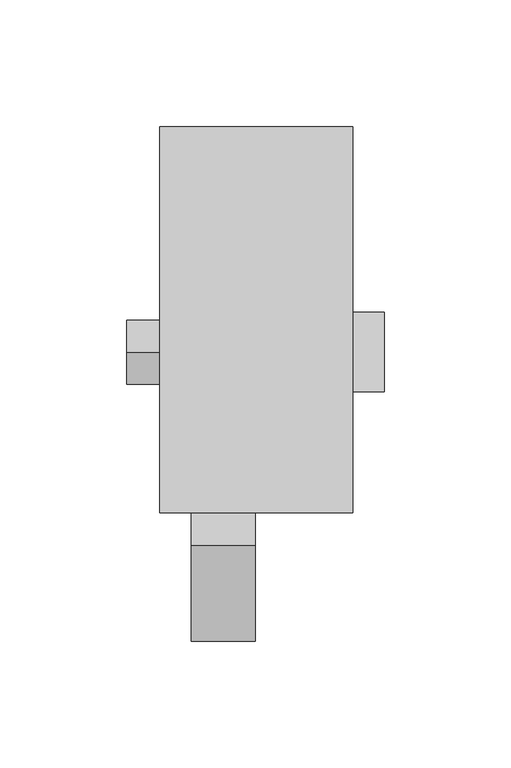
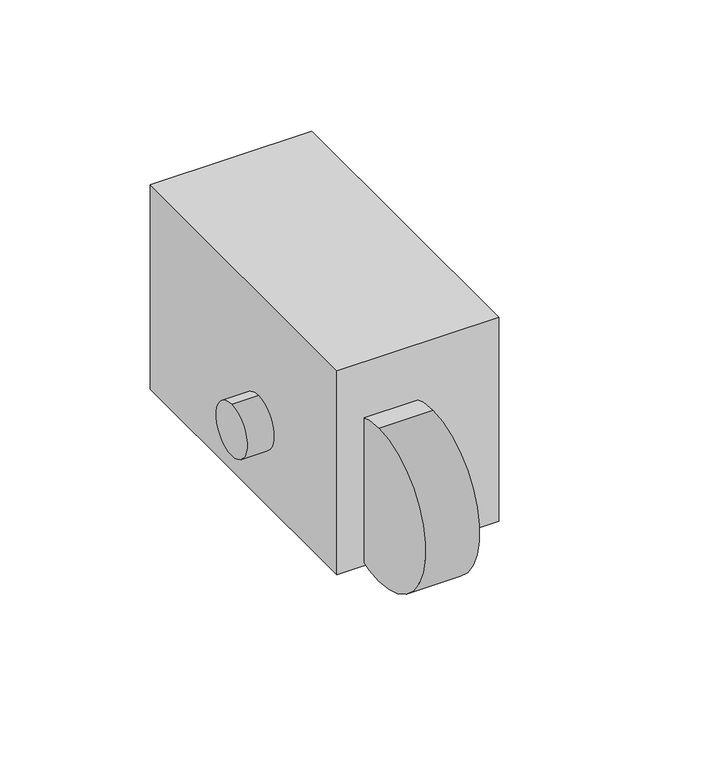
"""IFC4 building model written with IfcOpenShell, lengths in millimetres: proxy geometry."""

from ifc_helpers import new_model, si_unit, point, frame, frame_2d, origin, origin_with_axes, place, context, project, spatial, polyline, circle_curve, trimmed, segment, composite_curve, outline, extrude, source, transform, mapped, element, save
from ifc_brep_helpers import plane_surface, cylinder_surface, revolved_surface, advanced_brep


def specialty_equipment_b4fdb6f9(model_context):
    return source(origin(), model_context, "Body", "SolidModel", [
        extrude(outline(polyline([(38.1, -152.4), (-38.1, -152.4), (-38.1, 0.0), (38.1, 0.0), (38.1, -152.4)])), origin_with_axes(), (0.0, 0.0, 1.0), 101.6),
        advanced_brep(
        [(-0.2368425, -76.2, 53.3223414), (-0.2368425, -76.2, 38.1), (-0.2368425, -76.2, 22.8776586), (-0.2368425, -31.8738169, 53.3223414), (-0.2368425, -31.8738169, 22.8776586), (-0.2368425, -31.8738169, 43.8248613), (-0.2368425, -31.8738169, 32.3751387), (-0.2368425, -9.172523, 43.8248613), (-0.2368425, -9.172523, 32.3751387), (-0.2368425, -9.172523, 40.8134652), (-0.2368425, -9.172523, 35.3865348), (-0.2368425, 0.0, 40.8134652), (-0.2368425, 0.0, 35.3865348), (-0.2368425, 0.0, 38.1)],
        [
            (0, 1),
            (1, 2),
            (2, 0, circle_curve(frame((-0.2368425, -76.2, 38.1), z_axis=(0.0, -1.0, 0.0), x_axis=(0.0, 0.0, -1.0)), 15.2223414)),
            (0, 2, circle_curve(frame((-0.2368425, -76.2, 38.1), z_axis=(0.0, -1.0, 0.0), x_axis=(0.0, 0.0, -1.0)), 15.2223414)),
            (3, 0),
            (2, 4),
            (4, 3, circle_curve(frame((-0.2368425, -31.8738169, 38.1), z_axis=(0.0, -1.0, 0.0), x_axis=(0.0, 0.0, -1.0)), 15.2223414)),
            (3, 4, circle_curve(frame((-0.2368425, -31.8738169, 38.1), z_axis=(0.0, -1.0, 0.0), x_axis=(0.0, 0.0, -1.0)), 15.2223414)),
            (5, 3),
            (4, 6),
            (6, 5, circle_curve(frame((-0.2368425, -31.8738169, 38.1), z_axis=(0.0, -1.0, 0.0), x_axis=(0.0, 0.0, -1.0)), 5.7248613)),
            (5, 6, circle_curve(frame((-0.2368425, -31.8738169, 38.1), z_axis=(0.0, -1.0, 0.0), x_axis=(0.0, 0.0, -1.0)), 5.7248613)),
            (7, 5),
            (6, 8),
            (8, 7, circle_curve(frame((-0.2368425, -9.172523, 38.1), z_axis=(0.0, -1.0, 0.0), x_axis=(0.0, 0.0, -1.0)), 5.7248613)),
            (7, 8, circle_curve(frame((-0.2368425, -9.172523, 38.1), z_axis=(0.0, -1.0, 0.0), x_axis=(0.0, 0.0, -1.0)), 5.7248613)),
            (9, 7),
            (8, 10),
            (10, 9, circle_curve(frame((-0.2368425, -9.172523, 38.1), z_axis=(0.0, -1.0, 0.0), x_axis=(0.0, 0.0, -1.0)), 2.7134652)),
            (9, 10, circle_curve(frame((-0.2368425, -9.172523, 38.1), z_axis=(0.0, -1.0, 0.0), x_axis=(0.0, 0.0, -1.0)), 2.7134652)),
            (11, 9),
            (10, 12),
            (12, 11, circle_curve(frame((-0.2368425, 0.0, 38.1), z_axis=(0.0, -1.0, 0.0), x_axis=(0.0, 0.0, -1.0)), 2.7134652)),
            (11, 12, circle_curve(frame((-0.2368425, 0.0, 38.1), z_axis=(0.0, -1.0, 0.0), x_axis=(0.0, 0.0, -1.0)), 2.7134652)),
            (13, 11),
            (12, 13),
        ],
        [
            plane_surface(frame((-0.2368425, -76.2, 38.1), z_axis=(0.0, -1.0, 0.0), x_axis=(0.0, 0.0, -1.0))),
            cylinder_surface(frame((-0.2368425, -1297.7300755, 38.1), z_axis=(0.0, 1.0, 0.0), x_axis=(0.0, 0.0, -1.0)), 15.2223414),
            plane_surface(frame((-0.2368425, -31.8738169, 38.1), z_axis=(0.0, 1.0, 0.0), x_axis=(0.0, 0.0, -1.0))),
            cylinder_surface(frame((-0.2368425, -1297.7300755, 38.1), z_axis=(0.0, 1.0, 0.0), x_axis=(0.0, 0.0, -1.0)), 5.7248613),
            plane_surface(frame((-0.2368425, -9.172523, 38.1), z_axis=(0.0, 1.0, 0.0), x_axis=(0.0, 0.0, -1.0))),
            cylinder_surface(frame((-0.2368425, -1297.7300755, 38.1), z_axis=(0.0, 1.0, 0.0), x_axis=(0.0, 0.0, -1.0)), 2.7134652),
            plane_surface(frame((-0.2368425, 0.0, 38.1), z_axis=(0.0, 1.0, 0.0), x_axis=(0.0, 0.0, -1.0))),
        ],
        [
            (0, [[1, 2, 3]]),
            (0, [[-2, -1, 4]]),
            (1, [[5, -3, 6, 7]]),
            (1, [[-6, -4, -5, 8]]),
            (2, [[9, -7, 10, 11]]),
            (2, [[-10, -8, -9, 12]]),
            (3, [[13, -11, 14, 15]]),
            (3, [[-14, -12, -13, 16]]),
            (4, [[17, -15, 18, 19]]),
            (4, [[-18, -16, -17, 20]]),
            (5, [[21, -19, 22, 23]]),
            (5, [[-22, -20, -21, 24]]),
            (6, [[25, -23, 26]]),
            (6, [[-26, -24, -25]]),
        ],
    ),
        advanced_brep(
        [(50.5631575, -104.5493597, 38.1), (22.2137978, -104.5493597, 38.1), (22.2137978, -73.2506403, 38.1), (50.5631575, -73.2506403, 38.1), (50.5631575, -88.9, 38.1), (-0.2368425, -127.0, 38.1), (-0.2368425, -88.9, 38.1), (-0.2368425, -50.8, 38.1)],
        [
            (0, 1),
            (1, 2, circle_curve(frame((22.2137978, -88.9, 38.1), z_axis=(1.0, 0.0, 0.0), x_axis=(0.0, 1.0, 0.0)), 15.6493597)),
            (2, 3),
            (3, 0, circle_curve(frame((50.5631575, -88.9, 38.1), z_axis=(-1.0, 0.0, 0.0), x_axis=(0.0, 1.0, 0.0)), 15.6493597)),
            (2, 1, circle_curve(frame((22.2137978, -88.9, 38.1), z_axis=(1.0, 0.0, 0.0), x_axis=(0.0, 1.0, 0.0)), 15.6493597)),
            (0, 3, circle_curve(frame((50.5631575, -88.9, 38.1), z_axis=(-1.0, 0.0, 0.0), x_axis=(0.0, 1.0, 0.0)), 15.6493597)),
            (4, 0),
            (3, 4),
            (5, 6),
            (6, 7),
            (7, 5, circle_curve(frame((-0.2368425, -88.9, 38.1), z_axis=(-1.0, 0.0, 0.0), x_axis=(0.0, 1.0, 0.0)), 38.1)),
            (5, 7, circle_curve(frame((-0.2368425, -88.9, 38.1), z_axis=(-1.0, 0.0, 0.0), x_axis=(0.0, 1.0, 0.0)), 38.1)),
            (1, 5),
            (7, 2),
        ],
        [
            cylinder_surface(frame((-51.0368425, -88.9, 38.1), z_axis=(1.0, 0.0, 0.0), x_axis=(0.0, 1.0, 0.0)), 15.6493597),
            plane_surface(frame((50.5631575, -88.9, 38.1), z_axis=(1.0, 0.0, 0.0), x_axis=(0.0, 1.0, 0.0))),
            plane_surface(frame((-0.2368425, -88.9, 38.1), z_axis=(-1.0, 0.0, 0.0), x_axis=(0.0, 1.0, 0.0))),
            revolved_surface(polyline([(-0.2368425, -50.8, 38.1), (22.2137978, -73.2506403, 38.1)]), (-51.0368425, -88.9, 38.1), (1.0, 0.0, 0.0)),
        ],
        [
            (0, [[1, 2, 3, 4]]),
            (0, [[-3, 5, -1, 6]]),
            (1, [[7, -4, 8]]),
            (1, [[-8, -6, -7]]),
            (2, [[9, 10, 11]]),
            (2, [[-10, -9, 12]]),
            (3, [[13, -11, 14, -2]]),
            (3, [[-14, -12, -13, -5]]),
        ],
    ),
        extrude(outline(composite_curve([segment(trimmed(circle_curve(frame_2d((-88.9, 38.1)), 12.7), [point((-88.9, 25.4))], [point((-88.9, 50.8))], False, "CARTESIAN"), True, "CONTINUOUS"), segment(trimmed(circle_curve(frame_2d((-88.9, 38.1)), 12.7), [point((-88.9, 50.8))], [point((-88.9, 25.4))], False, "CARTESIAN"), True, "CONTINUOUS")], self_intersect=False)), frame((-51.0368425, 0.0, 0.0), z_axis=(1.0, 0.0, 0.0), x_axis=(0.0, 1.0, 0.0)), (0.0, 0.0, 1.0), 50.8),
        extrude(outline(composite_curve([segment(polyline([(-69.85, 0.0), (-107.95, 0.0)]), True, "CONTINUOUS"), segment(trimmed(circle_curve(frame_2d((-107.95, 19.05)), 19.05), [point((-107.95, 0.0))], [point((-127.0, 19.05))], False, "CARTESIAN"), True, "CONTINUOUS"), segment(polyline([(-127.0, 19.05), (-127.0, 57.15)]), True, "CONTINUOUS"), segment(trimmed(circle_curve(frame_2d((-107.95, 57.15)), 19.05), [point((-127.0, 57.15))], [point((-107.95, 76.2))], False, "CARTESIAN"), True, "CONTINUOUS"), segment(polyline([(-107.95, 76.2), (-69.85, 76.2)]), True, "CONTINUOUS"), segment(trimmed(circle_curve(frame_2d((-69.85, 57.15)), 19.05), [point((-69.85, 76.2))], [point((-50.8, 57.15))], False, "CARTESIAN"), True, "CONTINUOUS"), segment(polyline([(-50.8, 57.15), (-50.8, 19.05)]), True, "CONTINUOUS"), segment(trimmed(circle_curve(frame_2d((-69.85, 19.05)), 19.05), [point((-50.8, 19.05))], [point((-69.85, 0.0))], False, "CARTESIAN"), True, "CONTINUOUS")], self_intersect=False)), frame((-25.6368425, 0.0, 0.0), z_axis=(1.0, 0.0, 0.0), x_axis=(0.0, 1.0, 0.0)), (0.0, 0.0, 1.0), 25.4),
        extrude(outline(composite_curve([segment(trimmed(circle_curve(frame_2d((-165.1, 38.1)), 38.1), [point((-165.1, 0.0))], [point((-165.1, 76.2))], False, "CARTESIAN"), True, "CONTINUOUS"), segment(trimmed(circle_curve(frame_2d((-165.1, 38.1)), 38.1), [point((-165.1, 76.2))], [point((-165.1, 0.0))], False, "CARTESIAN"), True, "CONTINUOUS")], self_intersect=False)), frame((-25.6368425, 0.0, 0.0), z_axis=(1.0, 0.0, 0.0), x_axis=(0.0, 1.0, 0.0)), (0.0, 0.0, 1.0), 25.4),
    ])


if __name__ == "__main__":
    model = new_model("IFC4")
    model_context = context("Model", 3, world=origin())
    ifc_project = project(units=[si_unit("LENGTHUNIT", "METRE", prefix="MILLI")], contexts=[model_context])
    site = spatial("IfcSite", under=ifc_project)
    building = spatial("IfcBuilding", under=site)
    placement = place(None, origin())
    specialty_equipment_shape = specialty_equipment_b4fdb6f9(model_context)
    element("IfcBuildingElementProxy", 1, Name="Specialty Equipment", at=placement, inside=building, context=model_context, shape_type="MappedRepresentation", body=[
        mapped(specialty_equipment_shape, transform((0.0, 0.0, 0.0), x_axis=(1.0, 0.0, 0.0), y_axis=(0.0, 1.0, 0.0), z_axis=(0.0, 0.0, 1.0))),
    ])
    save(model, "model.ifc")
